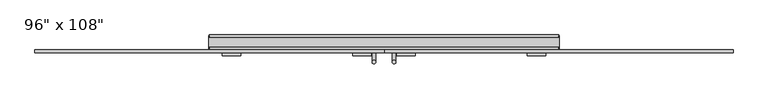
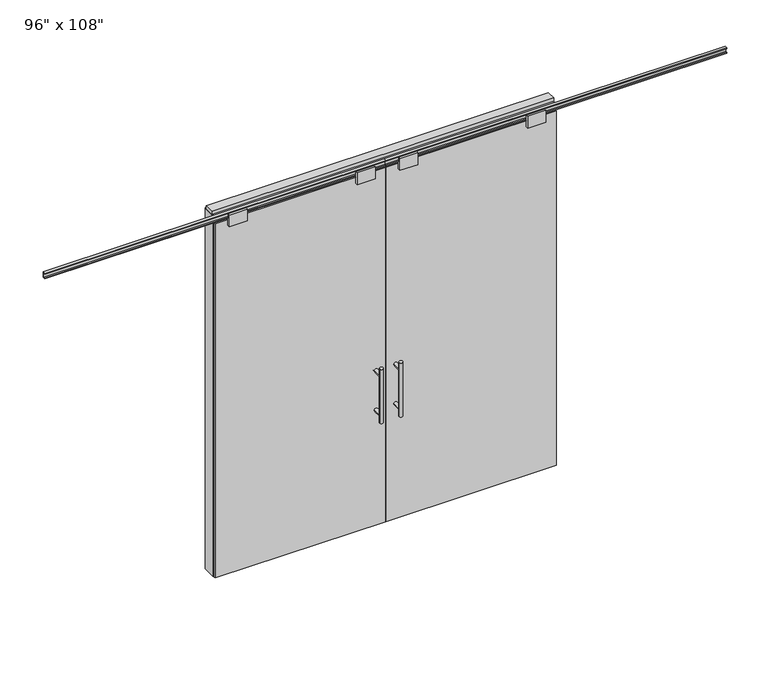
"""IFC4 building model written with IfcOpenShell, lengths in millimetres: furniture geometry."""

from ifc_helpers import new_model, si_unit, frame, origin, origin_with_axes, place, context, project, spatial, polyline, circle_curve, ellipse_curve, outline, extrude, source, transform, mapped, element, save
from ifc_brep_helpers import plane_surface, cylinder_surface, advanced_brep


def furniture_fe909b67(model_context):
    return source(origin(), model_context, "Body", "SolidModel", [
        extrude(outline(polyline([(-1275.2995229, -74.3677216), (-1275.2995229, -64.2077216), (-60.0365229, -64.2077216), (-60.0365229, -74.3677216), (-1275.2995229, -74.3677216)])), origin_with_axes(), (0.0, 0.0, 1.0), 2670.81),
        advanced_brep(
        [(-117.3135229, 3.3562784, 1219.2), (-142.7135229, 3.3562784, 1219.2), (-117.3135229, 3.3562784, 812.8), (-142.7135229, 3.3562784, 812.8), (-117.3135229, 3.3562784, 1164.336), (-117.3135229, 3.3562784, 867.664), (-142.7135229, 3.3562784, 867.664), (-142.7135229, 3.3562784, 1164.336), (-117.3135229, -64.2077216, 1164.336), (-142.7135229, -64.2077216, 1164.336), (-117.3135229, -64.2077216, 867.664), (-142.7135229, -64.2077216, 867.664)],
        [
            (0, 1, circle_curve(frame((-130.0135229, 3.3562784, 1219.2), z_axis=(0.0, 0.0, 1.0), x_axis=(-1.0, 0.0, 0.0)), 12.7)),
            (1, 0, circle_curve(frame((-130.0135229, 3.3562784, 1219.2), z_axis=(0.0, 0.0, 1.0), x_axis=(-1.0, 0.0, 0.0)), 12.7)),
            (2, 3, circle_curve(frame((-130.0135229, 3.3562784, 812.8), z_axis=(0.0, 0.0, -1.0), x_axis=(-1.0, 0.0, 0.0)), 12.7)),
            (3, 2, circle_curve(frame((-130.0135229, 3.3562784, 812.8), z_axis=(0.0, 0.0, -1.0), x_axis=(-1.0, 0.0, 0.0)), 12.7)),
            (0, 4),
            (4, 5),
            (5, 2),
            (3, 6),
            (6, 7),
            (7, 1),
            (7, 4, ellipse_curve(frame((-130.0135229, 3.3562784, 1164.336), z_axis=(0.0, 0.707106781186565, 0.70710678118653), x_axis=(0.0, -0.70710678118653, 0.707106781186565)), 17.9605122, 12.7)),
            (5, 6, ellipse_curve(frame((-130.0135229, 3.3562784, 867.664), z_axis=(0.0, 0.70710678118653, -0.7071067811865649), x_axis=(0.0, 0.7071067811865648, 0.7071067811865301)), 17.9605122, 12.7)),
            (4, 7, ellipse_curve(frame((-130.0135229, 3.3562784, 1164.336), z_axis=(0.0, 0.70710678118653, -0.7071067811865649), x_axis=(0.0, 0.7071067811865648, 0.7071067811865301)), 17.9605122, 12.7)),
            (6, 5, ellipse_curve(frame((-130.0135229, 3.3562784, 867.664), z_axis=(0.0, 0.707106781186565, 0.70710678118653), x_axis=(0.0, -0.70710678118653, 0.707106781186565)), 17.9605122, 12.7)),
            (8, 9, circle_curve(frame((-130.0135229, -64.2077216, 1164.336), z_axis=(0.0, -1.0, 0.0), x_axis=(-1.0, 0.0, 0.0)), 12.7)),
            (9, 8, circle_curve(frame((-130.0135229, -64.2077216, 1164.336), z_axis=(0.0, -1.0, 0.0), x_axis=(-1.0, 0.0, 0.0)), 12.7)),
            (9, 7),
            (4, 8),
            (10, 11, circle_curve(frame((-130.0135229, -64.2077216, 867.664), z_axis=(0.0, -1.0, 0.0), x_axis=(-1.0, 0.0, 0.0)), 12.7)),
            (11, 10, circle_curve(frame((-130.0135229, -64.2077216, 867.664), z_axis=(0.0, -1.0, 0.0), x_axis=(-1.0, 0.0, 0.0)), 12.7)),
            (11, 6),
            (5, 10),
        ],
        [
            plane_surface(frame((-142.7135229, 3.3562784, 1219.2), z_axis=(0.0, 0.0, 1.0), x_axis=(0.0, -1.0, 0.0))),
            plane_surface(frame((-142.7135229, 3.3562784, 812.8), z_axis=(0.0, 0.0, -1.0), x_axis=(0.0, 1.0, 0.0))),
            cylinder_surface(frame((-130.0135229, 3.3562784, 812.8), z_axis=(0.0, 0.0, 1.0), x_axis=(-1.0, 0.0, 0.0)), 12.7),
            plane_surface(frame((-142.7135229, -64.2077216, 1164.336), z_axis=(0.0, -1.0, 0.0), x_axis=(0.0, 0.0, -1.0))),
            cylinder_surface(frame((-130.0135229, -64.2077216, 1164.336), z_axis=(0.0, 1.0, 0.0), x_axis=(-1.0, 0.0, 0.0)), 12.7),
            plane_surface(frame((-142.7135229, -64.2077216, 867.664), z_axis=(0.0, -1.0, 0.0), x_axis=(0.0, 0.0, -1.0))),
            cylinder_surface(frame((-130.0135229, -64.2077216, 867.664), z_axis=(0.0, 1.0, 0.0), x_axis=(-1.0, 0.0, 0.0)), 12.7),
        ],
        [
            (0, [[1, 2]]),
            (1, [[3, 4]]),
            (2, [[-1, 5, 6, 7, -4, 8, 9, 10]]),
            (2, [[-2, -10, 11, -5]]),
            (2, [[-3, -7, 12, -8]]),
            (2, [[13, -9, 14, -6]]),
            (3, [[15, 16]]),
            (4, [[-16, 17, -13, 18]]),
            (4, [[-15, -18, -11, -17]]),
            (5, [[19, 20]]),
            (6, [[-20, 21, -12, 22]]),
            (6, [[-19, -22, -14, -21]]),
        ],
    ),
        advanced_brep(
        [(-117.3135229, -141.9317216, 1219.2), (-142.7135229, -141.9317216, 1219.2), (-117.3135229, -141.9317216, 812.8), (-142.7135229, -141.9317216, 812.8), (-142.7135229, -141.9317216, 1164.336), (-142.7135229, -141.9317216, 867.664), (-117.3135229, -141.9317216, 867.664), (-117.3135229, -141.9317216, 1164.336), (-117.3135229, -74.3677216, 1164.336), (-142.7135229, -74.3677216, 1164.336), (-117.3135229, -74.3677216, 867.664), (-142.7135229, -74.3677216, 867.664)],
        [
            (0, 1, circle_curve(frame((-130.0135229, -141.9317216, 1219.2), z_axis=(0.0, 0.0, 1.0), x_axis=(-1.0, 0.0, 0.0)), 12.7)),
            (1, 0, circle_curve(frame((-130.0135229, -141.9317216, 1219.2), z_axis=(0.0, 0.0, 1.0), x_axis=(-1.0, 0.0, 0.0)), 12.7)),
            (2, 3, circle_curve(frame((-130.0135229, -141.9317216, 812.8), z_axis=(0.0, 0.0, -1.0), x_axis=(-1.0, 0.0, 0.0)), 12.7)),
            (3, 2, circle_curve(frame((-130.0135229, -141.9317216, 812.8), z_axis=(0.0, 0.0, -1.0), x_axis=(-1.0, 0.0, 0.0)), 12.7)),
            (1, 4),
            (4, 5),
            (5, 3),
            (2, 6),
            (6, 7),
            (7, 0),
            (6, 5, ellipse_curve(frame((-130.0135229, -141.9317216, 867.664), z_axis=(0.0, -0.707106781186565, 0.70710678118653), x_axis=(0.0, 0.70710678118653, 0.707106781186565)), 17.9605122, 12.7)),
            (4, 7, ellipse_curve(frame((-130.0135229, -141.9317216, 1164.336), z_axis=(0.0, -0.70710678118653, -0.7071067811865649), x_axis=(0.0, -0.7071067811865648, 0.7071067811865301)), 17.9605122, 12.7)),
            (7, 4, ellipse_curve(frame((-130.0135229, -141.9317216, 1164.336), z_axis=(0.0, -0.707106781186565, 0.70710678118653), x_axis=(0.0, 0.70710678118653, 0.707106781186565)), 17.9605122, 12.7)),
            (5, 6, ellipse_curve(frame((-130.0135229, -141.9317216, 867.664), z_axis=(0.0, -0.70710678118653, -0.7071067811865649), x_axis=(0.0, -0.7071067811865648, 0.7071067811865301)), 17.9605122, 12.7)),
            (8, 9, circle_curve(frame((-130.0135229, -74.3677216, 1164.336), z_axis=(0.0, 1.0, 0.0), x_axis=(-1.0, 0.0, 0.0)), 12.7)),
            (9, 8, circle_curve(frame((-130.0135229, -74.3677216, 1164.336), z_axis=(0.0, 1.0, 0.0), x_axis=(-1.0, 0.0, 0.0)), 12.7)),
            (8, 7),
            (4, 9),
            (10, 11, circle_curve(frame((-130.0135229, -74.3677216, 867.664), z_axis=(0.0, 1.0, 0.0), x_axis=(-1.0, 0.0, 0.0)), 12.7)),
            (11, 10, circle_curve(frame((-130.0135229, -74.3677216, 867.664), z_axis=(0.0, 1.0, 0.0), x_axis=(-1.0, 0.0, 0.0)), 12.7)),
            (10, 6),
            (5, 11),
        ],
        [
            plane_surface(frame((-142.7135229, -141.9317216, 1219.2), z_axis=(0.0, 0.0, 1.0), x_axis=(0.0, 1.0, 0.0))),
            plane_surface(frame((-142.7135229, -141.9317216, 812.8), z_axis=(0.0, 0.0, -1.0), x_axis=(0.0, -1.0, 0.0))),
            cylinder_surface(frame((-130.0135229, -141.9317216, 812.8), z_axis=(0.0, 0.0, 1.0), x_axis=(-1.0, 0.0, 0.0)), 12.7),
            plane_surface(frame((-142.7135229, -74.3677216, 1164.336), z_axis=(0.0, 1.0, 0.0), x_axis=(0.0, 0.0, -1.0))),
            cylinder_surface(frame((-130.0135229, -74.3677216, 1164.336), z_axis=(0.0, -1.0, 0.0), x_axis=(-1.0, 0.0, 0.0)), 12.7),
            plane_surface(frame((-142.7135229, -74.3677216, 867.664), z_axis=(0.0, 1.0, 0.0), x_axis=(0.0, 0.0, -1.0))),
            cylinder_surface(frame((-130.0135229, -74.3677216, 867.664), z_axis=(0.0, -1.0, 0.0), x_axis=(-1.0, 0.0, 0.0)), 12.7),
        ],
        [
            (0, [[1, 2]]),
            (1, [[3, 4]]),
            (2, [[5, 6, 7, -3, 8, 9, 10, -2]]),
            (2, [[-9, 11, -6, 12]]),
            (2, [[-10, 13, -5, -1]]),
            (2, [[-7, 14, -8, -4]]),
            (3, [[15, 16]]),
            (4, [[17, -12, 18, -15]]),
            (4, [[-18, -13, -17, -16]]),
            (5, [[19, 20]]),
            (6, [[21, -14, 22, -19]]),
            (6, [[-22, -11, -21, -20]]),
        ],
    ),
        extrude(outline(polyline([(-63.1282216, 2628.9), (-63.1282216, 2670.81), (-75.4472216, 2670.81), (-75.4472216, 2628.9), (-97.6722216, 2628.9), (-97.6722216, 2717.8), (-82.1782216, 2717.8), (-82.1782216, 2676.779), (-59.5722216, 2676.779), (-59.5722216, 2628.9), (-63.1282216, 2628.9)])), frame((-276.3175229, 0.0, 0.0), z_axis=(1.0, 0.0, 0.0), x_axis=(0.0, 1.0, 0.0)), (0.0, 0.0, 1.0), 128.016),
        extrude(outline(polyline([(-63.1282216, 2628.9), (-63.1282216, 2670.81), (-75.4472216, 2670.81), (-75.4472216, 2628.9), (-97.6722216, 2628.9), (-97.6722216, 2717.8), (-82.1782216, 2717.8), (-82.1782216, 2676.779), (-59.5722216, 2676.779), (-59.5722216, 2628.9), (-63.1282216, 2628.9)])), frame((-1187.0345229, 0.0, 0.0), z_axis=(1.0, 0.0, 0.0), x_axis=(0.0, 1.0, 0.0)), (0.0, 0.0, 1.0), 128.016),
        extrude(outline(polyline([(-77.9237216, 2681.478), (-77.9237216, 2686.812), (-65.2237216, 2686.812), (-65.2237216, 2715.768), (-77.9237216, 2715.768), (-77.9237216, 2721.102), (-56.2067216, 2721.102), (-56.2067216, 2681.478), (-77.9237216, 2681.478)])), frame((-2490.5625229, 0.0, 0.0), z_axis=(1.0, 0.0, 0.0), x_axis=(0.0, 1.0, 0.0)), (0.0, 0.0, 1.0), 2430.526),
        extrude(outline(polyline([(1155.2264771, -74.3677216), (-60.0365229, -74.3677216), (-60.0365229, -64.2077216), (1155.2264771, -64.2077216), (1155.2264771, -74.3677216)])), origin_with_axes(), (0.0, 0.0, 1.0), 2670.81),
        advanced_brep(
        [(-2.7595229, 3.3562784, 1219.2), (22.6404771, 3.3562784, 1219.2), (-2.7595229, 3.3562784, 812.8), (22.6404771, 3.3562784, 812.8), (22.6404771, 3.3562784, 1164.336), (22.6404771, 3.3562784, 867.664), (-2.7595229, 3.3562784, 867.664), (-2.7595229, 3.3562784, 1164.336), (-2.7595229, -64.2077216, 1164.336), (22.6404771, -64.2077216, 1164.336), (-2.7595229, -64.2077216, 867.664), (22.6404771, -64.2077216, 867.664)],
        [
            (0, 1, circle_curve(frame((9.9404771, 3.3562784, 1219.2), z_axis=(0.0, 0.0, 1.0), x_axis=(1.0, 0.0, 0.0)), 12.7)),
            (1, 0, circle_curve(frame((9.9404771, 3.3562784, 1219.2), z_axis=(0.0, 0.0, 1.0), x_axis=(1.0, 0.0, 0.0)), 12.7)),
            (2, 3, circle_curve(frame((9.9404771, 3.3562784, 812.8), z_axis=(0.0, 0.0, -1.0), x_axis=(1.0, 0.0, 0.0)), 12.7)),
            (3, 2, circle_curve(frame((9.9404771, 3.3562784, 812.8), z_axis=(0.0, 0.0, -1.0), x_axis=(1.0, 0.0, 0.0)), 12.7)),
            (1, 4),
            (4, 5),
            (5, 3),
            (2, 6),
            (6, 7),
            (7, 0),
            (6, 5, ellipse_curve(frame((9.9404771, 3.3562784, 867.664), z_axis=(0.0, 0.707106781186565, 0.70710678118653), x_axis=(0.0, -0.70710678118653, 0.707106781186565)), 17.9605122, 12.7)),
            (4, 7, ellipse_curve(frame((9.9404771, 3.3562784, 1164.336), z_axis=(0.0, 0.70710678118653, -0.7071067811865649), x_axis=(0.0, 0.7071067811865648, 0.7071067811865301)), 17.9605122, 12.7)),
            (7, 4, ellipse_curve(frame((9.9404771, 3.3562784, 1164.336), z_axis=(0.0, 0.707106781186565, 0.70710678118653), x_axis=(0.0, -0.70710678118653, 0.707106781186565)), 17.9605122, 12.7)),
            (5, 6, ellipse_curve(frame((9.9404771, 3.3562784, 867.664), z_axis=(0.0, 0.70710678118653, -0.7071067811865649), x_axis=(0.0, 0.7071067811865648, 0.7071067811865301)), 17.9605122, 12.7)),
            (8, 9, circle_curve(frame((9.9404771, -64.2077216, 1164.336), z_axis=(0.0, -1.0, 0.0), x_axis=(1.0, 0.0, 0.0)), 12.7)),
            (9, 8, circle_curve(frame((9.9404771, -64.2077216, 1164.336), z_axis=(0.0, -1.0, 0.0), x_axis=(1.0, 0.0, 0.0)), 12.7)),
            (8, 7),
            (4, 9),
            (10, 11, circle_curve(frame((9.9404771, -64.2077216, 867.664), z_axis=(0.0, -1.0, 0.0), x_axis=(1.0, 0.0, 0.0)), 12.7)),
            (11, 10, circle_curve(frame((9.9404771, -64.2077216, 867.664), z_axis=(0.0, -1.0, 0.0), x_axis=(1.0, 0.0, 0.0)), 12.7)),
            (10, 6),
            (5, 11),
        ],
        [
            plane_surface(frame((22.6404771, 3.3562784, 1219.2), z_axis=(0.0, 0.0, 1.0), x_axis=(0.0, -1.0, 0.0))),
            plane_surface(frame((22.6404771, 3.3562784, 812.8), z_axis=(0.0, 0.0, -1.0), x_axis=(0.0, 1.0, 0.0))),
            cylinder_surface(frame((9.9404771, 3.3562784, 812.8), z_axis=(0.0, 0.0, 1.0), x_axis=(1.0, 0.0, 0.0)), 12.7),
            plane_surface(frame((22.6404771, -64.2077216, 1164.336), z_axis=(0.0, -1.0, 0.0), x_axis=(0.0, 0.0, -1.0))),
            cylinder_surface(frame((9.9404771, -64.2077216, 1164.336), z_axis=(0.0, 1.0, 0.0), x_axis=(1.0, 0.0, 0.0)), 12.7),
            plane_surface(frame((22.6404771, -64.2077216, 867.664), z_axis=(0.0, -1.0, 0.0), x_axis=(0.0, 0.0, -1.0))),
            cylinder_surface(frame((9.9404771, -64.2077216, 867.664), z_axis=(0.0, 1.0, 0.0), x_axis=(1.0, 0.0, 0.0)), 12.7),
        ],
        [
            (0, [[1, 2]]),
            (1, [[3, 4]]),
            (2, [[5, 6, 7, -3, 8, 9, 10, -2]]),
            (2, [[-9, 11, -6, 12]]),
            (2, [[-10, 13, -5, -1]]),
            (2, [[-7, 14, -8, -4]]),
            (3, [[15, 16]]),
            (4, [[17, -12, 18, -15]]),
            (4, [[-18, -13, -17, -16]]),
            (5, [[19, 20]]),
            (6, [[21, -14, 22, -19]]),
            (6, [[-22, -11, -21, -20]]),
        ],
    ),
        advanced_brep(
        [(-2.7595229, -141.9317216, 1219.2), (22.6404771, -141.9317216, 1219.2), (-2.7595229, -141.9317216, 812.8), (22.6404771, -141.9317216, 812.8), (-2.7595229, -141.9317216, 1164.336), (-2.7595229, -141.9317216, 867.664), (22.6404771, -141.9317216, 867.664), (22.6404771, -141.9317216, 1164.336), (-2.7595229, -74.3677216, 1164.336), (22.6404771, -74.3677216, 1164.336), (-2.7595229, -74.3677216, 867.664), (22.6404771, -74.3677216, 867.664)],
        [
            (0, 1, circle_curve(frame((9.9404771, -141.9317216, 1219.2), z_axis=(0.0, 0.0, 1.0), x_axis=(1.0, 0.0, 0.0)), 12.7)),
            (1, 0, circle_curve(frame((9.9404771, -141.9317216, 1219.2), z_axis=(0.0, 0.0, 1.0), x_axis=(1.0, 0.0, 0.0)), 12.7)),
            (2, 3, circle_curve(frame((9.9404771, -141.9317216, 812.8), z_axis=(0.0, 0.0, -1.0), x_axis=(1.0, 0.0, 0.0)), 12.7)),
            (3, 2, circle_curve(frame((9.9404771, -141.9317216, 812.8), z_axis=(0.0, 0.0, -1.0), x_axis=(1.0, 0.0, 0.0)), 12.7)),
            (0, 4),
            (4, 5),
            (5, 2),
            (3, 6),
            (6, 7),
            (7, 1),
            (7, 4, ellipse_curve(frame((9.9404771, -141.9317216, 1164.336), z_axis=(0.0, -0.707106781186565, 0.70710678118653), x_axis=(0.0, 0.70710678118653, 0.707106781186565)), 17.9605122, 12.7)),
            (5, 6, ellipse_curve(frame((9.9404771, -141.9317216, 867.664), z_axis=(0.0, -0.70710678118653, -0.7071067811865649), x_axis=(0.0, -0.7071067811865648, 0.7071067811865301)), 17.9605122, 12.7)),
            (4, 7, ellipse_curve(frame((9.9404771, -141.9317216, 1164.336), z_axis=(0.0, -0.70710678118653, -0.7071067811865649), x_axis=(0.0, -0.7071067811865648, 0.7071067811865301)), 17.9605122, 12.7)),
            (6, 5, ellipse_curve(frame((9.9404771, -141.9317216, 867.664), z_axis=(0.0, -0.707106781186565, 0.70710678118653), x_axis=(0.0, 0.70710678118653, 0.707106781186565)), 17.9605122, 12.7)),
            (8, 9, circle_curve(frame((9.9404771, -74.3677216, 1164.336), z_axis=(0.0, 1.0, 0.0), x_axis=(1.0, 0.0, 0.0)), 12.7)),
            (9, 8, circle_curve(frame((9.9404771, -74.3677216, 1164.336), z_axis=(0.0, 1.0, 0.0), x_axis=(1.0, 0.0, 0.0)), 12.7)),
            (9, 7),
            (4, 8),
            (10, 11, circle_curve(frame((9.9404771, -74.3677216, 867.664), z_axis=(0.0, 1.0, 0.0), x_axis=(1.0, 0.0, 0.0)), 12.7)),
            (11, 10, circle_curve(frame((9.9404771, -74.3677216, 867.664), z_axis=(0.0, 1.0, 0.0), x_axis=(1.0, 0.0, 0.0)), 12.7)),
            (11, 6),
            (5, 10),
        ],
        [
            plane_surface(frame((22.6404771, -141.9317216, 1219.2), z_axis=(0.0, 0.0, 1.0), x_axis=(0.0, 1.0, 0.0))),
            plane_surface(frame((22.6404771, -141.9317216, 812.8), z_axis=(0.0, 0.0, -1.0), x_axis=(0.0, -1.0, 0.0))),
            cylinder_surface(frame((9.9404771, -141.9317216, 812.8), z_axis=(0.0, 0.0, 1.0), x_axis=(1.0, 0.0, 0.0)), 12.7),
            plane_surface(frame((22.6404771, -74.3677216, 1164.336), z_axis=(0.0, 1.0, 0.0), x_axis=(0.0, 0.0, -1.0))),
            cylinder_surface(frame((9.9404771, -74.3677216, 1164.336), z_axis=(0.0, -1.0, 0.0), x_axis=(1.0, 0.0, 0.0)), 12.7),
            plane_surface(frame((22.6404771, -74.3677216, 867.664), z_axis=(0.0, 1.0, 0.0), x_axis=(0.0, 0.0, -1.0))),
            cylinder_surface(frame((9.9404771, -74.3677216, 867.664), z_axis=(0.0, -1.0, 0.0), x_axis=(1.0, 0.0, 0.0)), 12.7),
        ],
        [
            (0, [[1, 2]]),
            (1, [[3, 4]]),
            (2, [[-1, 5, 6, 7, -4, 8, 9, 10]]),
            (2, [[-2, -10, 11, -5]]),
            (2, [[-3, -7, 12, -8]]),
            (2, [[13, -9, 14, -6]]),
            (3, [[15, 16]]),
            (4, [[-16, 17, -13, 18]]),
            (4, [[-15, -18, -11, -17]]),
            (5, [[19, 20]]),
            (6, [[-20, 21, -12, 22]]),
            (6, [[-19, -22, -14, -21]]),
        ],
    ),
        extrude(outline(polyline([(-63.1282216, 2628.9), (-63.1282216, 2670.81), (-75.4472216, 2670.81), (-75.4472216, 2628.9), (-97.6722216, 2628.9), (-97.6722216, 2717.8), (-82.1782216, 2717.8), (-82.1782216, 2676.779), (-59.5722216, 2676.779), (-59.5722216, 2628.9), (-63.1282216, 2628.9)])), frame((28.2284771, 0.0, 0.0), z_axis=(1.0, 0.0, 0.0), x_axis=(0.0, 1.0, 0.0)), (0.0, 0.0, 1.0), 128.016),
        extrude(outline(polyline([(-63.1282216, 2628.9), (-63.1282216, 2670.81), (-75.4472216, 2670.81), (-75.4472216, 2628.9), (-97.6722216, 2628.9), (-97.6722216, 2717.8), (-82.1782216, 2717.8), (-82.1782216, 2676.779), (-59.5722216, 2676.779), (-59.5722216, 2628.9), (-63.1282216, 2628.9)])), frame((938.9454771, 0.0, 0.0), z_axis=(1.0, 0.0, 0.0), x_axis=(0.0, 1.0, 0.0)), (0.0, 0.0, 1.0), 128.016),
        extrude(outline(polyline([(-77.9237216, 2681.478), (-77.9237216, 2686.812), (-65.2237216, 2686.812), (-65.2237216, 2715.768), (-77.9237216, 2715.768), (-77.9237216, 2721.102), (-56.2067216, 2721.102), (-56.2067216, 2681.478), (-77.9237216, 2681.478)])), frame((-60.0365229, 0.0, 0.0), z_axis=(1.0, 0.0, 0.0), x_axis=(0.0, 1.0, 0.0)), (0.0, 0.0, 1.0), 2430.526),
        extrude(outline(polyline([(-1275.2995229, -55.3177216), (-1275.2995229, 46.2822784), (1155.2264771, 46.2822784), (1155.2264771, -55.3177216), (-1275.2995229, -55.3177216)])), frame((0.0, 0.0, 2654.3), z_axis=(0.0, 0.0, 1.0), x_axis=(1.0, 0.0, 0.0)), (0.0, 0.0, 1.0), 22.225),
        extrude(outline(polyline([(1159.1634771, -50.3647216), (1155.2264771, -50.3647216), (1155.2264771, 41.3292784), (1159.1634771, 41.3292784), (1159.1634771, -50.3647216)])), origin_with_axes(), (0.0, 0.0, 1.0), 2717.8),
        extrude(outline(polyline([(-1279.2365229, -50.3647216), (-1279.2365229, 41.3292784), (-1275.2995229, 41.3292784), (-1275.2995229, -50.3647216), (-1279.2365229, -50.3647216)])), origin_with_axes(), (0.0, 0.0, 1.0), 2717.8),
        extrude(outline(polyline([(1133.0014771, -55.3177216), (1133.0014771, 46.2822784), (1155.2264771, 46.2822784), (1155.2264771, -55.3177216), (1133.0014771, -55.3177216)])), origin_with_axes(), (0.0, 0.0, 1.0), 2654.3),
        extrude(outline(polyline([(-1253.0745229, -55.3177216), (-1275.2995229, -55.3177216), (-1275.2995229, 46.2822784), (-1253.0745229, 46.2822784), (-1253.0745229, -55.3177216)])), origin_with_axes(), (0.0, 0.0, 1.0), 2654.3),
        extrude(outline(polyline([(-55.3177216, 2681.478), (-55.3177216, 2717.8), (46.2822784, 2717.8), (46.2822784, 2681.478), (41.3292784, 2681.478), (41.3292784, 2676.525), (-50.3647216, 2676.525), (-50.3647216, 2681.478), (-55.3177216, 2681.478)])), frame((-1275.2995229, 0.0, 0.0), z_axis=(1.0, 0.0, 0.0), x_axis=(0.0, 1.0, 0.0)), (0.0, 0.0, 1.0), 2430.526),
        extrude(outline(polyline([(-1279.2365229, -37.0297216), (-1279.2365229, 27.9942784), (1159.1634771, 27.9942784), (1159.1634771, -37.0297216), (-1279.2365229, -37.0297216)])), frame((0.0, 0.0, 2717.8), z_axis=(0.0, 0.0, 1.0), x_axis=(1.0, 0.0, 0.0)), (0.0, 0.0, 1.0), 25.4),
    ])


if __name__ == "__main__":
    model = new_model("IFC4")
    model_context = context("Model", 3, world=origin())
    ifc_project = project(units=[si_unit("LENGTHUNIT", "METRE", prefix="MILLI")], contexts=[model_context])
    site = spatial("IfcSite", under=ifc_project)
    building = spatial("IfcBuilding", under=site)
    placement = place(None, origin())
    furniture_shape = furniture_fe909b67(model_context)
    element("IfcFurniture", 1, ObjectType="96\" x 108\"", at=placement, inside=building, context=model_context, shape_type="MappedRepresentation", body=[
        mapped(furniture_shape, transform((0.0, 0.0, 0.0), x_axis=(1.0, 0.0, 0.0), y_axis=(0.0, 1.0, 0.0), z_axis=(0.0, 0.0, 1.0))),
    ])
    save(model, "model.ifc")
